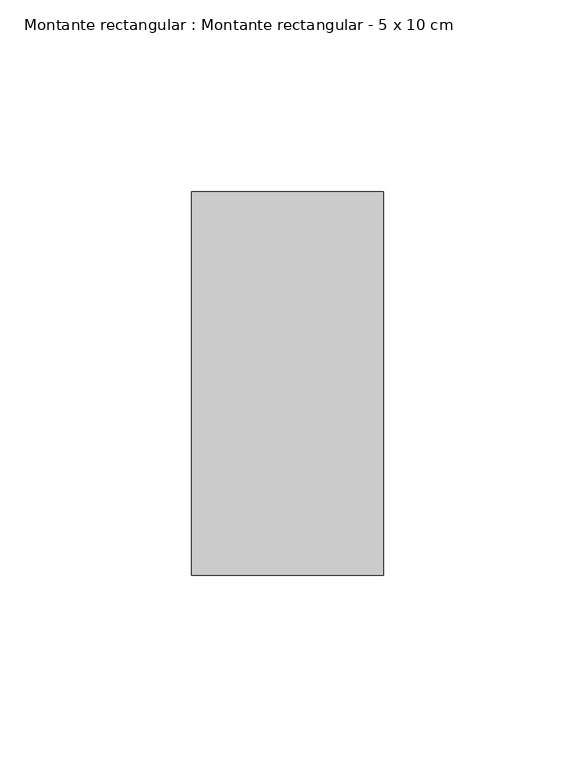
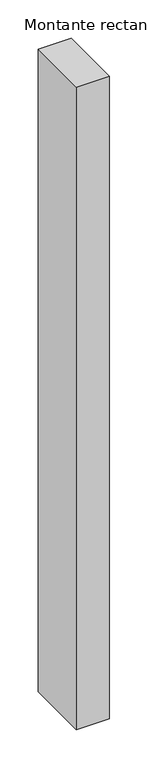
"""IFC4 building model written with IfcOpenShell, lengths in millimetres: member geometry, Montante rectangular : Montante rectangular - 5 x 10 cm."""

from ifc_helpers import new_model, si_unit, frame, origin, place, context, project, spatial, polyline, outline, extrude, source, transform, mapped, element, save


def montante_rectangular_montante_rectangular_5_x_10_cm_12a10c25(model_context):
    return source(origin(), model_context, "Body", "SweptSolid", [
        extrude(outline(polyline([(-50.0, 50.0), (0.0, 50.0), (0.0, -50.0), (-50.0, -50.0), (-50.0, 50.0)])), frame((0.0, 0.0, -1028.0832678), z_axis=(0.0, 0.0, 1.0), x_axis=(1.0, 0.0, 0.0)), (0.0, 0.0, 1.0), 1028.0832678),
    ])


if __name__ == "__main__":
    model = new_model("IFC4")
    model_context = context("Model", 3, world=origin())
    ifc_project = project(units=[si_unit("LENGTHUNIT", "METRE", prefix="MILLI")], contexts=[model_context])
    site = spatial("IfcSite", under=ifc_project)
    building = spatial("IfcBuilding", under=site)
    placement = place(None, origin())
    montante_rectangular_montante_rectangular_5_x_10_cm_shape = montante_rectangular_montante_rectangular_5_x_10_cm_12a10c25(model_context)
    element("IfcMember", 1, ObjectType="Montante rectangular : Montante rectangular - 5 x 10 cm", at=placement, inside=building, context=model_context, shape_type="MappedRepresentation", body=[
        mapped(montante_rectangular_montante_rectangular_5_x_10_cm_shape, transform((0.0, 0.0, 0.0), x_axis=(1.0, 0.0, 0.0), y_axis=(0.0, 1.0, 0.0), z_axis=(0.0, 0.0, 1.0))),
    ])
    save(model, "model.ifc")
